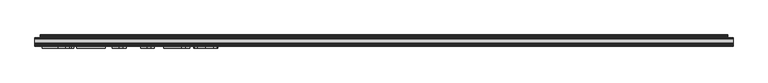
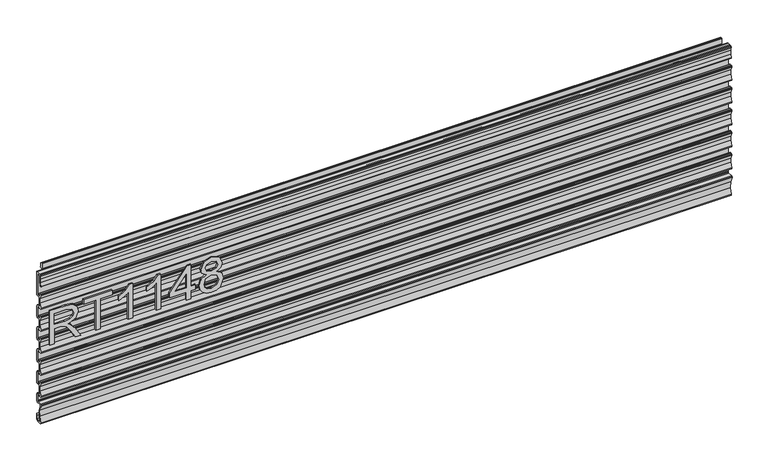
"""IFC4 building model written with IfcOpenShell, lengths in millimetres: furniture geometry."""

from ifc_helpers import new_model, si_unit, frame, origin, place, context, project, spatial, polyline, outline, extrude, source, transform, mapped, element, save


def furniture_c583f891(model_context):
    return source(origin(), model_context, "Body", "SweptSolid", [
        extrude(outline(polyline([(-1.5203251, 1100.0315975), (-1.9666925, 1098.9539562), (-3.0443248, 1098.507599), (-7.8320935, 1098.507599), (-9.2304101, 1097.8643606), (-9.6518461, 1096.3835826), (-9.6313991, 1090.0915793), (-11.5619729, 1084.1269724), (-11.1413331, 1081.7230857), (-9.089371, 1081.4978914), (-5.9789805, 1082.4986016), (-3.7842619, 1081.4611831), (-2.8942953, 1079.202818), (-2.8919245, 1059.3916181), (-3.3382919, 1058.3139768), (-4.4159247, 1057.8676014), (-7.8320935, 1057.8675832), (-9.2304101, 1057.2243631), (-9.6518461, 1055.743585), (-9.6313991, 1049.4515817), (-11.5724814, 1043.4664274), (-11.1413331, 1041.0830881), (-9.1141802, 1040.8498937), (-5.9789805, 1041.8585858), (-3.7842619, 1040.8211855), (-2.8919245, 1038.5636016), (-2.8919245, 1018.7516205), (-3.3382919, 1017.6739792), (-4.4159247, 1017.227622), (-7.8320935, 1017.2276038), (-9.2304101, 1016.5843655), (-9.6518461, 1015.1035965), (-9.6313991, 1008.8115841), (-11.5724814, 1002.8264389), (-11.1413331, 1000.4430905), (-9.0893321, 1000.2178997), (-5.9789805, 1001.2185974), (-3.7842619, 1000.181197), (-2.8919245, 997.9236041), (-2.8943033, 978.1108236), (-3.3406707, 977.0331823), (-4.4183029, 976.586816), (-7.8344717, 976.5868069), (-9.2327884, 975.9435685), (-9.6542246, 974.4627995), (-9.6337777, 968.1707872), (-11.5748598, 962.1856419), (-11.1437114, 959.8022936), (-9.0917104, 959.5771027), (-5.9813588, 960.5778004), (-3.7866407, 959.5404001), (-2.8943033, 957.2828071), (-1.5227039, 954.9968184), (-1.5227039, 937.4708215), (-1.9690713, 936.3931892), (-3.0467036, 935.9468184), (-7.8344717, 935.9468184), (-9.2327884, 935.3035846), (-9.654238, 933.823238), (-9.6337777, 927.5308032), (-11.5748598, 921.5456535), (-11.1437114, 919.1623096), (-9.0917751, 918.937122), (-5.9813588, 919.9378165), (-3.7866407, 918.9004161), (-2.8943033, 916.6428323), (-2.8943033, 903.6888219), (-3.3406707, 902.6111896), (-4.4183035, 902.1648188), (-11.1068079, 902.1648188), (-12.8225821, 901.2214466), (-12.9452454, 899.2672577), (-10.0279766, 890.2327483), (-9.4872673, 880.7543286), (-11.3581824, 871.4466709), (-11.0842169, 869.6112207), (-9.4332105, 868.7638047), (-6.2445587, 868.7638047), (-4.2125589, 870.7958175), (-4.2125589, 877.6792097), (-2.4345589, 880.1022449), (-2.4345589, 869.5258284), (-4.9745593, 866.98582), (-12.6521859, 866.98582), (-13.9904925, 867.7087694), (-14.1195375, 869.2243762), (-11.3316765, 880.0257836), (-12.0331893, 891.1590884), (-16.1548177, 901.5251277), (-16.1700216, 903.1339775), (-14.779196, 903.9428217), (-6.7043047, 903.9428217), (-5.2674625, 904.5379797), (-4.6723027, 905.9748016), (-4.6723027, 916.6428323), (-5.5450312, 918.0206551), (-7.1636727, 917.8204402), (-8.1594576, 917.177865), (-10.4526026, 916.6428323), (-13.9219, 916.6428323), (-15.3647113, 917.5509618), (-15.1698992, 919.2445857), (-11.6317274, 926.5529287), (-11.631722, 934.6726865), (-15.1698838, 941.981034), (-15.51787, 943.0988982), (-15.0115257, 944.1545205), (-13.9218993, 944.5828192), (-11.1493029, 944.5828192), (-10.4473985, 944.23939), (-10.287795, 943.4744476), (-10.7938049, 942.8789988), (-11.769159, 940.050892), (-11.2028935, 938.9112041), (-9.3552086, 937.7248167), (-6.7043047, 937.7248349), (-5.2674625, 938.3199929), (-4.6723027, 939.7568375), (-4.6723027, 957.2828071), (-5.5450312, 958.6606391), (-7.1636727, 958.4604242), (-8.1594576, 957.817849), (-10.4526026, 957.2828162), (-13.9219, 957.2828162), (-15.3647113, 958.1909457), (-15.169882, 959.8845924), (-11.6317274, 967.1929126), (-11.631722, 975.3126659), (-15.1698838, 982.6210134), (-15.51787, 983.7388867), (-15.0115257, 984.794509), (-13.9218993, 985.2228077), (-11.1493029, 985.2228077), (-10.4473985, 984.8793785), (-10.287795, 984.1144361), (-10.7938049, 983.5189782), (-11.769159, 980.6908805), (-11.2028935, 979.5511881), (-9.3552086, 978.3648052), (-6.7043047, 978.3648143), (-5.2674625, 978.9599814), (-4.6723027, 980.3968214), (-4.6699245, 997.9236041), (-5.5426529, 999.301436), (-7.1612939, 999.1012211), (-8.1570793, 998.4586459), (-10.4502244, 997.9236132), (-13.9195216, 997.9236132), (-15.362333, 998.8317427), (-15.1675208, 1000.5253711), (-11.629349, 1007.8337096), (-11.6293436, 1015.9534719), (-15.1675055, 1023.2618104), (-15.5154916, 1024.3796745), (-15.0091473, 1025.4352969), (-13.919521, 1025.8635956), (-11.1469245, 1025.8635956), (-10.4450199, 1025.5201754), (-10.2854168, 1024.755233), (-10.7914264, 1024.1597752), (-11.7667806, 1021.3316774), (-11.2005151, 1020.1919941), (-9.3528301, 1019.0056021), (-6.7019265, 1019.0056203), (-5.2650842, 1019.6007693), (-4.6699245, 1021.0376184), (-4.6699245, 1038.5636016), (-5.5426529, 1039.9414245), (-7.1612939, 1039.7412187), (-8.1570793, 1039.0986344), (-10.4502238, 1038.5636016), (-13.9195216, 1038.5636016), (-15.362333, 1039.4717403), (-15.1675036, 1041.1653869), (-11.629349, 1048.4736981), (-11.6293436, 1056.5934604), (-15.1675055, 1063.9018079), (-15.5154916, 1065.0196721), (-15.0091473, 1066.0752945), (-13.919521, 1066.5035932), (-11.1469245, 1066.5035932), (-10.4450199, 1066.160173), (-10.2854168, 1065.3952306), (-10.7914264, 1064.7997728), (-11.7667806, 1061.971675), (-11.2005151, 1060.8319735), (-9.3528301, 1059.6455997), (-6.7019265, 1059.6455997), (-5.2650842, 1060.2407669), (-4.6722953, 1061.6768166), (-4.6699245, 1079.2035992), (-5.5426529, 1080.5814221), (-7.1612939, 1080.3812163), (-8.1570793, 1079.7386501), (-10.4502238, 1079.2036174), (-13.9195216, 1079.2036174), (-15.362333, 1080.1117378), (-15.1675208, 1081.8053663), (-11.629349, 1089.1136956), (-11.6293436, 1097.233458), (-15.1675055, 1104.5418055), (-15.5154916, 1105.6596697), (-15.0091473, 1106.715292), (-13.919521, 1107.1435907), (-11.1469245, 1107.1435907), (-10.4450199, 1106.8001706), (-10.2854168, 1106.0352282), (-10.7914264, 1105.4397703), (-11.7667806, 1102.6116726), (-11.2005151, 1101.4719893), (-9.3528301, 1100.2855973), (-6.7019265, 1100.2856155), (-5.2650842, 1100.8807644), (-4.6699245, 1102.3176135), (-4.6722953, 1138.3848161), (-6.7042957, 1140.4168141), (-8.7022527, 1140.4168141), (-10.7230161, 1138.1714207), (-10.7357771, 1129.3350414), (-12.6188845, 1120.7016113), (-13.7438958, 1120.1392183), (-14.3053705, 1121.2646947), (-12.7931065, 1127.3965333), (-12.2716973, 1133.6934782), (-12.7552606, 1139.9934388), (-12.3214977, 1141.5276475), (-10.873458, 1142.1948125), (-4.4182956, 1142.1948125), (-3.340665, 1141.7484553), (-2.8942953, 1140.6708139), (-2.8942953, 1123.9068117), (-1.5226959, 1122.5352203), (-1.5203251, 1100.0315975)])), frame((-298.2019531, 0.0, 0.0), z_axis=(1.0, 0.0, 0.0), x_axis=(0.0, 1.0, 0.0)), (0.0, 0.0, 1.0), 1205.992),
        extrude(outline(polyline([(1011.1636431, -285.1229953), (1011.1636431, -277.1492757), (1039.0716617, -277.1492757), (1039.0716617, -267.524747), (1038.7913356, -262.8993666), (1037.2729027, -259.1071777), (1033.138093, -254.8944997), (1024.3856898, -248.8986363), (1011.1636431, -240.5978696), (1011.1636431, -231.3315353), (1028.450418, -241.9683526), (1036.6577427, -248.4314262), (1040.0683767, -252.9633645), (1046.0019454, -239.6089415), (1057.4953147, -235.2872477), (1067.1432039, -237.8958376), (1073.2325093, -244.8728423), (1074.9534, -257.6354658), (1074.9534, -285.1229953), (1011.1636431, -285.1229953)]), holes=[polyline([(1047.0453813, -277.1492757), (1066.9796804, -277.1492757), (1066.9796804, -257.292845), (1064.2231406, -246.6326671), (1057.1994149, -243.2609673), (1051.7875642, -245.028579), (1048.1744725, -250.1990378), (1047.0453813, -259.3018486), (1047.0453813, -277.1492757)])]), frame((0.0, -19.3508892, 0.0), z_axis=(0.0, 1.0, 0.0), x_axis=(0.0, 0.0, 1.0)), (0.0, 0.0, 1.0), 2.38125),
        extrude(outline(polyline([(1011.1636431, -205.3857992), (1011.1636431, -197.4120795), (1066.9796804, -197.4120795), (1066.9796804, -176.4810655), (1074.9534, -176.4810655), (1074.9534, -226.3168132), (1066.9796804, -226.3168132), (1066.9796804, -205.3857992), (1011.1636431, -205.3857992)])), frame((0.0, -19.3508892, 0.0), z_axis=(0.0, 1.0, 0.0), x_axis=(0.0, 0.0, 1.0)), (0.0, 0.0, 1.0), 2.38125),
        extrude(outline(polyline([(1011.1636431, -140.5993273), (1074.9534, -140.5993273), (1074.9534, -145.7386387), (1066.4657492, -152.8324459), (1059.0059608, -164.5204861), (1051.4683039, -164.5204861), (1055.4940979, -156.1262774), (1060.8748013, -148.5730469), (1011.1636431, -148.5730469), (1011.1636431, -140.5993273)])), frame((0.0, -19.3508892, 0.0), z_axis=(0.0, 1.0, 0.0), x_axis=(0.0, 0.0, 1.0)), (0.0, 0.0, 1.0), 2.38125),
        extrude(outline(polyline([(1011.1636431, -91.7602946), (1074.9534, -91.7602946), (1074.9534, -96.8996061), (1066.4657492, -103.9934133), (1059.0059608, -115.6814534), (1051.4683039, -115.6814534), (1055.4940979, -107.2872447), (1060.8748013, -99.7340142), (1011.1636431, -99.7340142), (1011.1636431, -91.7602946)])), frame((0.0, -19.3508892, 0.0), z_axis=(0.0, 1.0, 0.0), x_axis=(0.0, 0.0, 1.0)), (0.0, 0.0, 1.0), 2.38125),
        extrude(outline(polyline([(1011.1636431, -46.9081217), (1011.1636431, -38.9344021), (1026.1143673, -38.9344021), (1026.1143673, -30.9606825), (1034.088087, -30.9606825), (1034.088087, -38.9344021), (1073.956685, -38.9344021), (1073.956685, -44.9146918), (1034.088087, -75.8128554), (1026.1143673, -75.8128554), (1026.1143673, -46.9081217), (1011.1636431, -46.9081217)]), holes=[polyline([(1034.088087, -46.9081217), (1034.088087, -66.0014425), (1058.7256347, -46.9081217), (1034.088087, -46.9081217)])]), frame((0.0, -19.3508892, 0.0), z_axis=(0.0, 1.0, 0.0), x_axis=(0.0, 0.0, 1.0)), (0.0, 0.0, 1.0), 2.38125),
        extrude(outline(polyline([(1046.2978451, -12.3657192), (1040.5044395, -20.9623856), (1029.9454904, -23.9836778), (1022.1878555, -22.5431133), (1015.8279576, -18.2214195), (1011.5821855, -11.5481014), (1010.1669281, -3.0526638), (1011.5763453, 5.4427738), (1015.8045971, 12.1160918), (1029.727459, 17.8783502), (1040.0450162, 14.9738605), (1046.2978451, 6.4939966), (1051.226912, 13.5566564), (1058.7412084, 15.8849203), (1070.2345776, 10.6521668), (1074.9534, -3.1616795), (1070.3435933, -16.8509365), (1058.9592398, -21.9902479), (1051.2502725, -19.6308368), (1046.2978451, -12.3657192)]), holes=[polyline([(1058.7256347, -14.0165283), (1064.5501877, -11.143186), (1066.9796804, -3.0526638), (1064.4956798, 5.0144978), (1058.3674402, 7.9112006), (1052.4494452, 5.1079398), (1050.0355262, -2.9592218), (1052.4650189, -11.189907), (1058.7256347, -14.0165283)]), polyline([(1030.2258165, -16.0099582), (1038.6823199, -12.6382584), (1042.0618066, -3.2551216), (1038.6355989, 6.4005545), (1029.9766378, 9.9046305), (1021.4812002, 6.5095702), (1018.1406477, -2.9903692), (1019.7291622, -9.9673738), (1024.2221663, -14.6784093), (1030.2258165, -16.0099582)])]), frame((0.0, -19.3508892, 0.0), z_axis=(0.0, 1.0, 0.0), x_axis=(0.0, 0.0, 1.0)), (0.0, 0.0, 1.0), 2.38125),
        extrude(outline(polyline([(-2.4778341, 1142.2634102), (-1.9926973, 1143.1036919), (-1.9926973, 1152.1694007), (-1.230698, 1152.9314), (0.2933028, 1152.9314), (1.6339822, 1152.5140926), (2.500959, 1151.4095816), (2.5879063, 1150.0081591), (1.8645471, 1147.0497459), (2.0301563, 1145.8467307), (3.3001562, 1143.6470103), (2.4041842, 1143.1297244), (-1.230698, 1143.1297244), (-1.1114397, 1142.2634102), (-1.9926973, 1142.2634102), (-1.9926973, 1121.6876253), (-2.4778341, 1120.6472459), (-2.4778341, 1142.2634102)])), frame((-288.6709995, 0.0, 0.0), z_axis=(1.0, 0.0, 0.0), x_axis=(0.0, 1.0, 0.0)), (0.0, 0.0, 1.0), 1186.9420058),
        extrude(outline(polyline([(-2.4778341, 1142.2806154), (-2.4778341, 1138.9507314), (-11.2152663, 1138.9507314), (-12.3431975, 1139.1056093), (-13.7180128, 1139.8993654), (-13.7180128, 1141.4868593), (-12.3431975, 1142.2806154), (-2.4778341, 1142.2806154)])), frame((-298.2019531, 0.0, 0.0), z_axis=(1.0, 0.0, 0.0), x_axis=(0.0, 1.0, 0.0)), (0.0, 0.0, 1.0), 1206.0039063),
    ])


if __name__ == "__main__":
    model = new_model("IFC4")
    model_context = context("Model", 3, world=origin())
    ifc_project = project(units=[si_unit("LENGTHUNIT", "METRE", prefix="MILLI")], contexts=[model_context])
    site = spatial("IfcSite", under=ifc_project)
    building = spatial("IfcBuilding", under=site)
    placement = place(None, origin())
    furniture_shape = furniture_c583f891(model_context)
    element("IfcFurniture", 1, at=placement, inside=building, context=model_context, shape_type="MappedRepresentation", body=[
        mapped(furniture_shape, transform((0.0, 0.0, 0.0), x_axis=(1.0, 0.0, 0.0), y_axis=(0.0, 1.0, 0.0), z_axis=(0.0, 0.0, 1.0))),
    ])
    save(model, "model.ifc")
